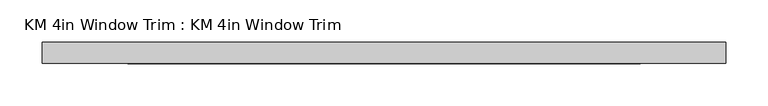
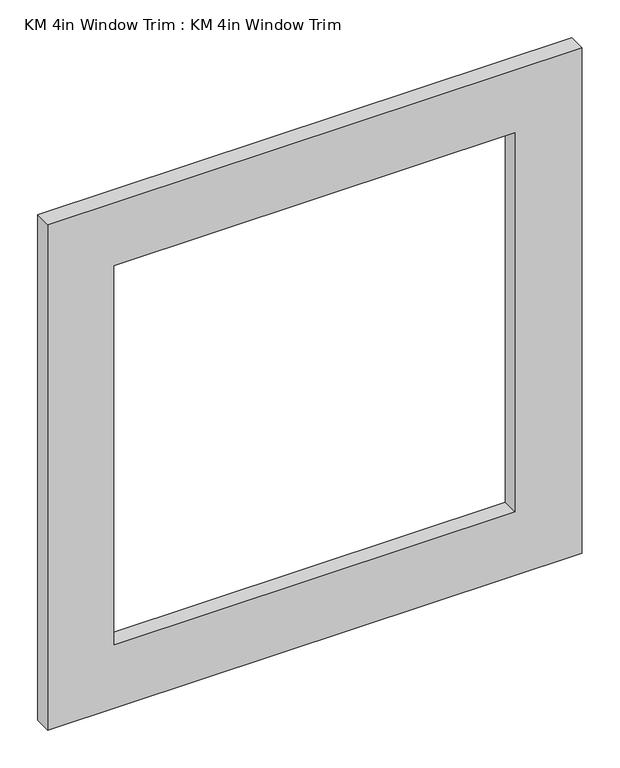
"""IFC4 building model written with IfcOpenShell, lengths in millimetres: proxy geometry, KM 4in Window Trim : KM 4in Window Trim."""

from ifc_helpers import new_model, si_unit, frame, origin, place, context, project, spatial, polyline, outline, extrude, source, transform, mapped, element, save


def km_4in_window_trim_km_4in_window_trim_570ad59d(model_context):
    return source(origin(), model_context, "Body", "SweptSolid", [
        extrude(outline(polyline([(1625.6, 406.4), (1625.6, -406.4), (812.8, -406.4), (812.8, 406.4), (1625.6, 406.4)]), holes=[polyline([(1524.0, 304.8), (914.4, 304.8), (914.4, -304.8), (1524.0, -304.8), (1524.0, 304.8)])]), frame((0.0, 63.5, 0.0), z_axis=(0.0, 1.0, 0.0), x_axis=(0.0, 0.0, 1.0)), (0.0, 0.0, 1.0), 25.4),
    ])


if __name__ == "__main__":
    model = new_model("IFC4")
    model_context = context("Model", 3, world=origin())
    ifc_project = project(units=[si_unit("LENGTHUNIT", "METRE", prefix="MILLI")], contexts=[model_context])
    site = spatial("IfcSite", under=ifc_project)
    building = spatial("IfcBuilding", under=site)
    placement = place(None, origin())
    km_4in_window_trim_km_4in_window_trim_shape = km_4in_window_trim_km_4in_window_trim_570ad59d(model_context)
    element("IfcBuildingElementProxy", 1, Name="KM 4in Window Trim : KM 4in Window Trim", ObjectType="KM 4in Window Trim : KM 4in Window Trim", at=placement, inside=building, context=model_context, shape_type="MappedRepresentation", body=[
        mapped(km_4in_window_trim_km_4in_window_trim_shape, transform((0.0, 0.0, 0.0), x_axis=(1.0, 0.0, 0.0), y_axis=(0.0, 1.0, 0.0), z_axis=(0.0, 0.0, 1.0))),
    ])
    save(model, "model.ifc")
